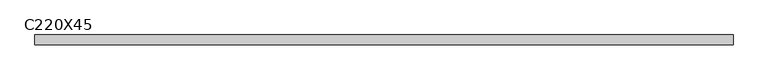
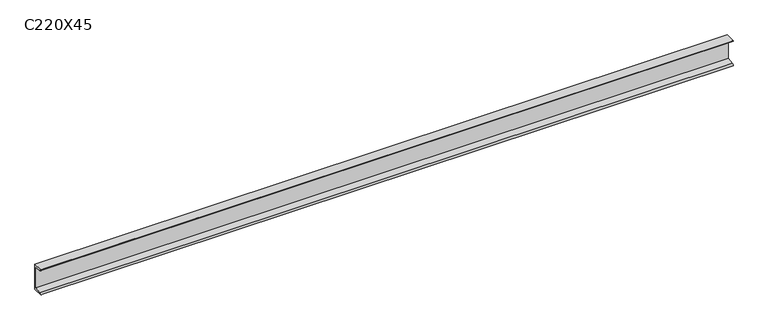
"""IFC4 building model written with IfcOpenShell, lengths in millimetres: beam geometry, C220X45."""

from ifc_helpers import new_model, si_unit, point, frame, frame_2d, origin, place, context, project, spatial, polyline, circle_curve, trimmed, segment, composite_curve, outline, extrude, source, transform, mapped, element, save


def c220x45_300543da(model_context):
    return source(origin(), model_context, "Body", "SweptSolid", [
        extrude(outline(composite_curve([segment(polyline([(17.0, 110.0), (17.0, -110.0), (-64.0, -110.0)]), True, "CONTINUOUS"), segment(trimmed(circle_curve(frame_2d((-51.0, -110.0)), 13.0), [point((-64.0, -110.0))], [point((-51.0, -97.0))], False, "CARTESIAN"), True, "CONTINUOUS"), segment(polyline([(-51.0, -97.0), (4.0, -88.2888558), (4.0, 88.2888558), (-51.0, 97.0)]), True, "CONTINUOUS"), segment(trimmed(circle_curve(frame_2d((-51.0, 110.0)), 13.0), [point((-51.0, 97.0))], [point((-64.0, 110.0))], False, "CARTESIAN"), True, "CONTINUOUS"), segment(polyline([(-64.0, 110.0), (17.0, 110.0)]), True, "CONTINUOUS")], self_intersect=False)), frame((-2909.1699043, 0.0, 0.0), z_axis=(1.0, 0.0, 0.0), x_axis=(0.0, 1.0, 0.0)), (0.0, 0.0, 1.0), 5750.6699043),
    ])


if __name__ == "__main__":
    model = new_model("IFC4")
    model_context = context("Model", 3, world=origin())
    ifc_project = project(units=[si_unit("LENGTHUNIT", "METRE", prefix="MILLI")], contexts=[model_context])
    site = spatial("IfcSite", under=ifc_project)
    building = spatial("IfcBuilding", under=site)
    placement = place(None, origin())
    c220x45_shape = c220x45_300543da(model_context)
    element("IfcBeam", 1, ObjectType="C220X45", at=placement, inside=building, context=model_context, shape_type="MappedRepresentation", body=[
        mapped(c220x45_shape, transform((0.0, 0.0, 0.0), x_axis=(1.0, 0.0, 0.0), y_axis=(0.0, 1.0, 0.0), z_axis=(0.0, 0.0, 1.0))),
    ])
    save(model, "model.ifc")
